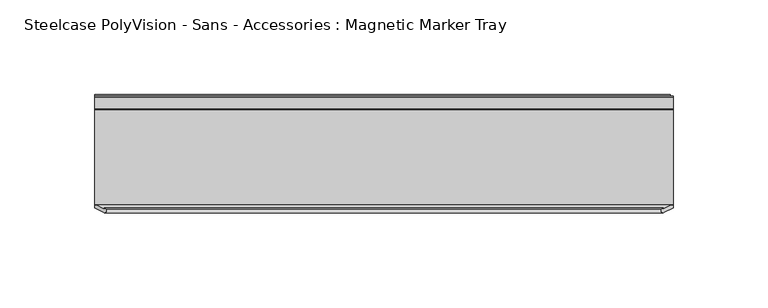
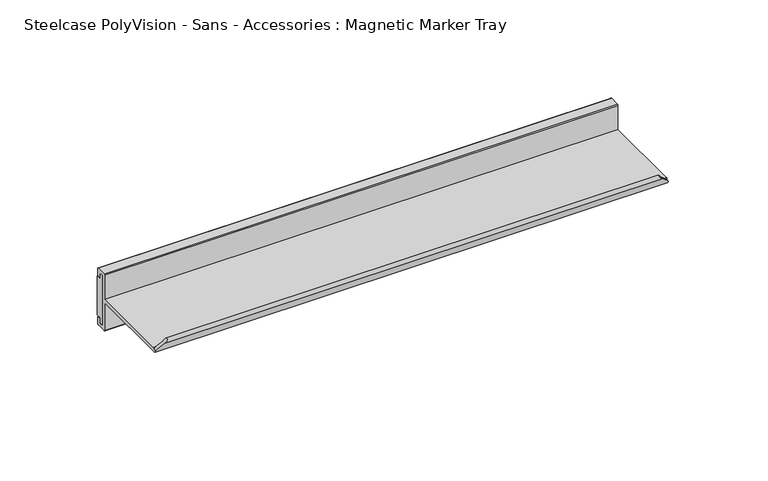
"""IFC4 building model written with IfcOpenShell, lengths in millimetres: furniture geometry, Steelcase PolyVision - Sans - Accessories : Magnetic Marker Tray."""

from ifc_helpers import new_model, si_unit, frame, origin, place, context, project, spatial, polyline, circle_curve, ellipse_curve, outline, extrude, source, transform, mapped, element, save
from ifc_brep_helpers import plane_surface, cylinder_surface, advanced_brep


def steelcase_polyvision_sans_accessories_magnetic_marker_tray_f7c5e752(model_context):
    return source(origin(), model_context, "Body", "SolidModel", [
        advanced_brep(
        [(228.1621628, -6.5640661, 725.9323614), (228.1621628, -56.7284459, 725.9323614), (228.1621628, -56.927271, 726.3225776), (228.1621628, -56.927271, 725.0803822), (228.1621628, -58.5506253, 725.0803822), (228.1621628, -57.9493017, 723.900218), (228.1621628, -6.5640661, 723.900218), (228.1621628, -6.5640661, 706.6660687), (228.1621628, -5.8912416, 705.9932442), (228.1621628, -0.2535141, 705.9932442), (228.1621628, 0.4215541, 706.6683124), (228.1621628, 0.4215541, 710.5282492), (228.1621628, -0.2504632, 711.2002665), (228.1621628, -1.61088, 711.2002665), (228.1621628, -1.61088, 708.0253149), (228.1621628, -4.531632, 708.0253149), (228.1621628, -4.531632, 739.7752665), (228.1621628, -1.61088, 739.7752665), (228.1621628, -1.61088, 736.6003149), (228.1621628, -0.2503782, 736.6003149), (228.1621628, 0.4215541, 737.2722472), (228.1621628, 0.4215541, 741.2329883), (228.1621628, -0.1527948, 741.8073372), (228.1621628, -6.0282968, 741.8073372), (228.1621628, -6.5640661, 741.271568), (-76.6378372, -6.5640661, 725.9323614), (-76.6378372, -6.5640661, 741.271568), (-76.6378372, -6.0282968, 741.8073372), (-76.6378372, -0.1527948, 741.8073372), (-76.6378372, 0.4215541, 741.2329883), (-76.6378372, 0.4215541, 737.2722472), (-76.6378372, -0.2503782, 736.6003149), (-76.6378372, -1.61088, 736.6003149), (-76.6378372, -1.61088, 739.7752665), (-76.6378372, -4.531632, 739.7752665), (-76.6378372, -4.531632, 708.0253149), (-76.6378372, -1.61088, 708.0253149), (-76.6378372, -1.61088, 711.2002665), (-76.6378372, -0.2504632, 711.2002665), (-76.6378372, 0.4215541, 710.5282492), (-76.6378372, 0.4215541, 706.6683124), (-76.6378372, -0.2535141, 705.9932442), (-76.6378372, -5.8912416, 705.9932442), (-76.6378372, -6.5640661, 706.6660687), (-76.6378372, -6.5640661, 723.900218), (-76.6378372, -57.9493017, 723.900218), (-76.6378372, -58.6904012, 725.3547077), (-76.6378372, -56.927271, 725.3547077), (-76.6378372, -56.927271, 726.3225776), (-76.6378372, -56.7284459, 725.9323614), (-75.6699673, -56.927271, 726.3225776), (-72.0900081, -58.7513513, 729.9025368), (223.3400081, -58.7513513, 729.9025368), (226.9199673, -56.927271, 726.3225776), (-70.4774233, -59.2326435, 731.5151216), (221.7274233, -59.2326435, 731.5151216), (-72.0533528, -61.0263127, 729.9391922), (223.3033528, -61.0263127, 729.9391922)],
        [
            (0, 1),
            (1, 2),
            (2, 3),
            (3, 4),
            (4, 5),
            (5, 6),
            (6, 7),
            (7, 8, circle_curve(frame((228.1621628, -5.8912416, 706.6660687), z_axis=(1.0, 0.0, 0.0), x_axis=(0.0, -1.0, 0.0)), 0.6728245)),
            (8, 9),
            (9, 10, circle_curve(frame((228.1621628, -0.2535141, 706.6683124), z_axis=(1.0, 0.0, 0.0), x_axis=(0.0, -1.0, 0.0)), 0.6750682)),
            (10, 11),
            (11, 12, circle_curve(frame((228.1621628, -0.2504632, 710.5282492), z_axis=(1.0, 0.0, 0.0), x_axis=(0.0, -1.0, 0.0)), 0.6720173)),
            (12, 13),
            (13, 14),
            (14, 15),
            (15, 16),
            (16, 17),
            (17, 18),
            (18, 19),
            (19, 20, circle_curve(frame((228.1621628, -0.2503782, 737.2722472), z_axis=(1.0, 0.0, 0.0), x_axis=(0.0, -1.0, 0.0)), 0.6719323)),
            (20, 21),
            (21, 22, circle_curve(frame((228.1621628, -0.1527948, 741.2329883), z_axis=(1.0, 0.0, 0.0), x_axis=(0.0, -1.0, 0.0)), 0.5743489)),
            (22, 23),
            (23, 24, circle_curve(frame((228.1621628, -6.0282968, 741.271568), z_axis=(1.0, 0.0, 0.0), x_axis=(0.0, -1.0, 0.0)), 0.5357692)),
            (24, 0),
            (25, 26),
            (26, 27, circle_curve(frame((-76.6378372, -6.0282968, 741.271568), z_axis=(-1.0, 0.0, 0.0), x_axis=(0.0, -1.0, 0.0)), 0.5357692)),
            (27, 28),
            (28, 29, circle_curve(frame((-76.6378372, -0.1527948, 741.2329883), z_axis=(-1.0, 0.0, 0.0), x_axis=(0.0, -1.0, 0.0)), 0.5743489)),
            (29, 30),
            (30, 31, circle_curve(frame((-76.6378372, -0.2503782, 737.2722472), z_axis=(-1.0, 0.0, 0.0), x_axis=(0.0, -1.0, 0.0)), 0.6719323)),
            (31, 32),
            (32, 33),
            (33, 34),
            (34, 35),
            (35, 36),
            (36, 37),
            (37, 38),
            (38, 39, circle_curve(frame((-76.6378372, -0.2504632, 710.5282492), z_axis=(-1.0, 0.0, 0.0), x_axis=(0.0, -1.0, 0.0)), 0.6720173)),
            (39, 40),
            (40, 41, circle_curve(frame((-76.6378372, -0.2535141, 706.6683124), z_axis=(-1.0, 0.0, 0.0), x_axis=(0.0, -1.0, 0.0)), 0.6750682)),
            (41, 42),
            (42, 43, circle_curve(frame((-76.6378372, -5.8912416, 706.6660687), z_axis=(-1.0, 0.0, 0.0), x_axis=(0.0, -1.0, 0.0)), 0.6728245)),
            (43, 44),
            (44, 45),
            (45, 46),
            (46, 47),
            (47, 48),
            (48, 49),
            (49, 25),
            (0, 25),
            (49, 1),
            (48, 50),
            (50, 51),
            (51, 52),
            (52, 53),
            (53, 2),
            (51, 54, ellipse_curve(frame((-71.5810243, -59.9881392, 730.4115207), z_axis=(0.7071067811865482, 0.0, -0.7071067811865469), x_axis=(0.7071067811865468, 0.0, 0.7071067811865482)), 1.8914063, 1.3374262)),
            (54, 55),
            (55, 52, ellipse_curve(frame((222.8310243, -59.9881392, 730.4115207), z_axis=(-0.7071067811865688, 0.0, -0.7071067811865263), x_axis=(0.7071067811865261, 0.0, -0.7071067811865688)), 1.8914063, 1.3374262)),
            (54, 56, ellipse_curve(frame((-71.4940342, -59.9285881, 730.4985108), z_axis=(0.7071067811865482, 0.0, -0.7071067811865469), x_axis=(0.7071067811865468, 0.0, 0.7071067811865482)), 1.7423183, 1.2320051)),
            (56, 57),
            (57, 55, ellipse_curve(frame((222.7440342, -59.9285881, 730.4985108), z_axis=(-0.7071067811865688, 0.0, -0.7071067811865263), x_axis=(0.7071067811865261, 0.0, -0.7071067811865688)), 1.7423183, 1.2320051)),
            (45, 5),
            (4, 57),
            (56, 46),
            (44, 6),
            (43, 7),
            (42, 8),
            (41, 9),
            (40, 10),
            (39, 11),
            (38, 12),
            (37, 13),
            (36, 14),
            (35, 15),
            (34, 16),
            (33, 17),
            (32, 18),
            (31, 19),
            (30, 20),
            (29, 21),
            (28, 22),
            (27, 23),
            (26, 24),
            (47, 50),
            (53, 3),
        ],
        [
            plane_surface(frame((228.1621628, -6.5640661, 725.9323614), z_axis=(1.0, 0.0, 0.0), x_axis=(0.0, -1.0, 0.0))),
            plane_surface(frame((-76.6378372, -6.5640661, 725.9323614), z_axis=(-1.0, 0.0, 0.0), x_axis=(0.0, 1.0, 0.0))),
            plane_surface(frame((228.1621628, -6.5640661, 725.9323614), z_axis=(0.0, 0.0, 1.0), x_axis=(-1.0, 0.0, 0.0))),
            plane_surface(frame((228.1621628, -56.7284459, 725.9323614), z_axis=(0.0, 0.8910065241883705, 0.4539904997395416), x_axis=(-1.0, 0.0, 0.0))),
            cylinder_surface(frame((-76.6378372, -59.9881392, 730.4115207), z_axis=(1.0, 0.0, 0.0), x_axis=(0.0, -1.0, 0.0)), 1.3374262),
            cylinder_surface(frame((-76.6378372, -59.9285881, 730.4985108), z_axis=(1.0, 0.0, 0.0), x_axis=(0.0, -1.0, 0.0)), 1.2320051),
            plane_surface(frame((228.1621628, -61.0263127, 729.9391922), z_axis=(0.0, -0.8910065241883723, -0.45399049973953803), x_axis=(-1.0, 0.0, 0.0))),
            plane_surface(frame((228.1621628, -57.9493017, 723.900218), z_axis=(0.0, 0.0, -1.0), x_axis=(-1.0, 0.0, 0.0))),
            plane_surface(frame((228.1621628, -6.5640661, 723.900218), z_axis=(0.0, -1.0, 0.0), x_axis=(-1.0, 0.0, 0.0))),
            cylinder_surface(frame((-76.6378372, -5.8912416, 706.6660687), z_axis=(1.0, 0.0, 0.0), x_axis=(0.0, -1.0, 0.0)), 0.6728245),
            plane_surface(frame((228.1621628, -5.8912416, 705.9932442), z_axis=(0.0, 0.0, -1.0), x_axis=(-1.0, 0.0, 0.0))),
            cylinder_surface(frame((-76.6378372, -0.2535141, 706.6683124), z_axis=(1.0, 0.0, 0.0), x_axis=(0.0, -1.0, 0.0)), 0.6750682),
            plane_surface(frame((228.1621628, 0.4215541, 706.6683124), z_axis=(0.0, 1.0, 0.0), x_axis=(-1.0, 0.0, 0.0))),
            cylinder_surface(frame((-76.6378372, -0.2504632, 710.5282492), z_axis=(1.0, 0.0, 0.0), x_axis=(0.0, -1.0, 0.0)), 0.6720173),
            plane_surface(frame((228.1621628, -0.2504632, 711.2002665), z_axis=(0.0, 0.0, 1.0), x_axis=(-1.0, 0.0, 0.0))),
            plane_surface(frame((228.1621628, -1.61088, 711.2002665), z_axis=(0.0, -1.0, 0.0), x_axis=(-1.0, 0.0, 0.0))),
            plane_surface(frame((228.1621628, -1.61088, 708.0253149), z_axis=(0.0, 0.0, 1.0), x_axis=(-1.0, 0.0, 0.0))),
            plane_surface(frame((228.1621628, -4.531632, 708.0253149), z_axis=(0.0, 1.0, 0.0), x_axis=(-1.0, 0.0, 0.0))),
            plane_surface(frame((228.1621628, -4.531632, 739.7752665), z_axis=(0.0, 0.0, -1.0), x_axis=(-1.0, 0.0, 0.0))),
            plane_surface(frame((228.1621628, -1.61088, 739.7752665), z_axis=(0.0, -1.0, 0.0), x_axis=(-1.0, 0.0, 0.0))),
            plane_surface(frame((228.1621628, -1.61088, 736.6003149), z_axis=(0.0, 0.0, -1.0), x_axis=(-1.0, 0.0, 0.0))),
            cylinder_surface(frame((-76.6378372, -0.2503782, 737.2722472), z_axis=(1.0, 0.0, 0.0), x_axis=(0.0, -1.0, 0.0)), 0.6719323),
            plane_surface(frame((228.1621628, 0.4215541, 737.2722472), z_axis=(0.0, 1.0, 0.0), x_axis=(-1.0, 0.0, 0.0))),
            cylinder_surface(frame((-76.6378372, -0.1527948, 741.2329883), z_axis=(1.0, 0.0, 0.0), x_axis=(0.0, -1.0, 0.0)), 0.5743489),
            plane_surface(frame((228.1621628, -0.1527948, 741.8073372), z_axis=(0.0, 0.0, 1.0), x_axis=(-1.0, 0.0, 0.0))),
            cylinder_surface(frame((-76.6378372, -6.0282968, 741.271568), z_axis=(1.0, 0.0, 0.0), x_axis=(0.0, -1.0, 0.0)), 0.5357692),
            plane_surface(frame((228.1621628, -6.5640661, 741.271568), z_axis=(0.0, -1.0, 0.0), x_axis=(-1.0, 0.0, 0.0))),
            plane_surface(frame((-78.7072263, -56.927271, 723.2853186), z_axis=(0.0, -1.0, 0.0), x_axis=(0.0, 0.0, 1.0))),
            plane_surface(frame((-69.1487278, -56.927271, 732.8438171), z_axis=(-0.7071067811865482, 0.0, 0.7071067811865469), x_axis=(0.0, -1.0, 0.0))),
            plane_surface(frame((229.9572263, -56.927271, 723.2853186), z_axis=(0.7071067811865688, 0.0, 0.7071067811865263), x_axis=(0.0, -1.0, 0.0))),
        ],
        [
            (0, [[1, 2, 3, 4, 5, 6, 7, 8, 9, 10, 11, 12, 13, 14, 15, 16, 17, 18, 19, 20, 21, 22, 23, 24, 25]]),
            (1, [[26, 27, 28, 29, 30, 31, 32, 33, 34, 35, 36, 37, 38, 39, 40, 41, 42, 43, 44, 45, 46, 47, 48, 49, 50]]),
            (2, [[-1, 51, -50, 52]]),
            (3, [[-52, -49, 53, 54, 55, 56, 57, -2]]),
            (4, [[-55, 58, 59, 60]]),
            (5, [[-59, 61, 62, 63]]),
            (6, [[64, -5, 65, -62, 66, -46]]),
            (7, [[-6, -64, -45, 67]]),
            (8, [[-7, -67, -44, 68]]),
            (9, [[-8, -68, -43, 69]]),
            (10, [[-9, -69, -42, 70]]),
            (11, [[-10, -70, -41, 71]]),
            (12, [[-11, -71, -40, 72]]),
            (13, [[-12, -72, -39, 73]]),
            (14, [[-13, -73, -38, 74]]),
            (15, [[-14, -74, -37, 75]]),
            (16, [[-15, -75, -36, 76]]),
            (17, [[-16, -76, -35, 77]]),
            (18, [[-17, -77, -34, 78]]),
            (19, [[-18, -78, -33, 79]]),
            (20, [[-19, -79, -32, 80]]),
            (21, [[-20, -80, -31, 81]]),
            (22, [[-21, -81, -30, 82]]),
            (23, [[-22, -82, -29, 83]]),
            (24, [[-23, -83, -28, 84]]),
            (25, [[-24, -84, -27, 85]]),
            (26, [[-25, -85, -26, -51]]),
            (27, [[86, -53, -48]]),
            (27, [[87, -3, -57]]),
            (28, [[-86, -47, -66, -61, -58, -54]]),
            (29, [[-87, -56, -60, -63, -65, -4]]),
        ],
    ),
        extrude(outline(polyline([(1.1831355, 736.0922064), (1.1831355, 711.7082296), (-1.9922521, 711.7082296), (-1.9922521, 708.2792965), (-4.531632, 708.2792965), (-4.531632, 739.5212849), (-1.9922521, 739.5212849), (-1.9922521, 736.0922064), (1.1831355, 736.0922064)])), frame((-76.6378372, 0.0, 0.0), z_axis=(1.0, 0.0, 0.0), x_axis=(0.0, 1.0, 0.0)), (0.0, 0.0, 1.0), 303.2756744),
    ])


if __name__ == "__main__":
    model = new_model("IFC4")
    model_context = context("Model", 3, world=origin())
    ifc_project = project(units=[si_unit("LENGTHUNIT", "METRE", prefix="MILLI")], contexts=[model_context])
    site = spatial("IfcSite", under=ifc_project)
    building = spatial("IfcBuilding", under=site)
    placement = place(None, origin())
    steelcase_polyvision_sans_accessories_magnetic_marker_tray_shape = steelcase_polyvision_sans_accessories_magnetic_marker_tray_f7c5e752(model_context)
    element("IfcFurniture", 1, ObjectType="Steelcase PolyVision - Sans - Accessories : Magnetic Marker Tray", at=placement, inside=building, context=model_context, shape_type="MappedRepresentation", body=[
        mapped(steelcase_polyvision_sans_accessories_magnetic_marker_tray_shape, transform((0.0, 0.0, 0.0), x_axis=(1.0, 0.0, 0.0), y_axis=(0.0, 1.0, 0.0), z_axis=(0.0, 0.0, 1.0))),
    ])
    save(model, "model.ifc")
